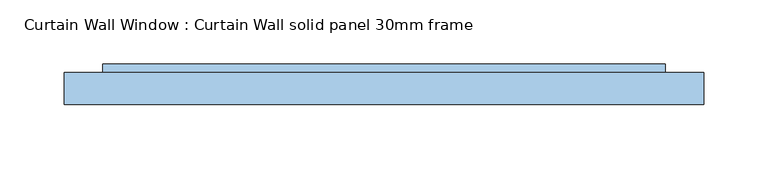
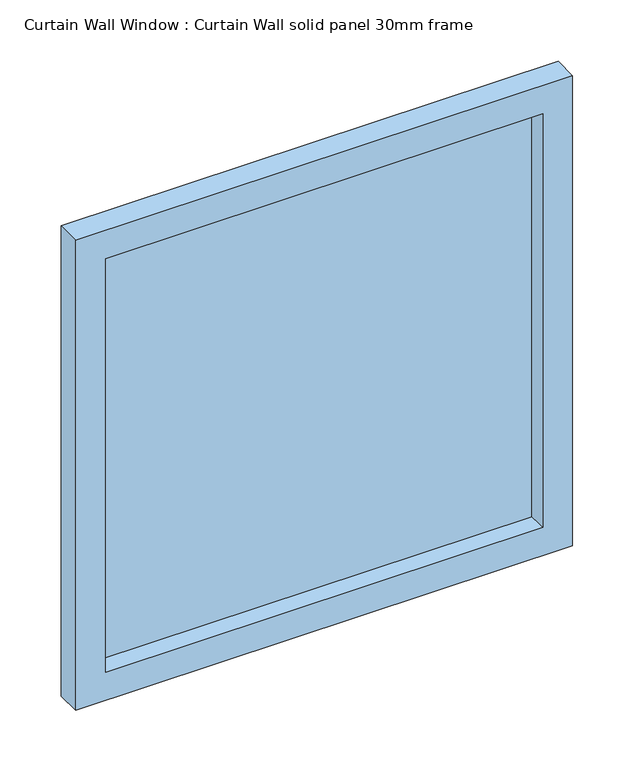
"""IFC4 building model written with IfcOpenShell, lengths in millimetres: window geometry, Curtain Wall Window : Curtain Wall solid panel 30mm frame."""

import ifcopenshell
import ifcopenshell.guid

model = None  # the IFC model being written
_history = None  # IfcOwnerHistory: only IFC2X3 demands one
_inside = {}  # id of a spatial element -> (the spatial element, [elements in it])
_under = {}  # id of a project, library or spatial element -> (it, [spatial elements below it])
_declared = {}  # id of a project -> (the project, [libraries it declares])
_typed = {}  # id of a type object -> (the type object, [elements of that type])
_made_of = {}  # id of a material, layer set ... -> (it, [elements and type objects made of it])


def new_model(schema):
    """Start an empty IFC model of exactly this schema.

    Asked for "IFC4X3", IfcOpenShell would pick the latest addendum, in which some entities
    have other attributes; the version numbers below select the first issue.
    IFC2X3 requires an IfcOwnerHistory on every rooted entity: one is made here for all.
    """
    global model, _history
    if schema == "IFC4X3":
        model = ifcopenshell.file(schema_version=(4, 3, 0, 0))
    else:
        model = ifcopenshell.file(schema=schema)
    _inside.clear()
    _under.clear()
    _declared.clear()
    _typed.clear()
    _made_of.clear()
    _history = None
    if model.schema == "IFC2X3":
        org = make("IfcOrganization", Name="unknown")
        user = make(
            "IfcPersonAndOrganization",
            ThePerson=make("IfcPerson", FamilyName="unknown"),
            TheOrganization=org,
        )
        app = make(
            "IfcApplication",
            ApplicationDeveloper=org,
            Version="unknown",
            ApplicationFullName="unknown",
            ApplicationIdentifier="unknown",
        )
        _history = make(
            "IfcOwnerHistory",
            OwningUser=user,
            OwningApplication=app,
            ChangeAction="ADDED",
            CreationDate=0,
        )
    return model


def make(cls, **values):
    """One entity of the class cls with the attributes given. An attribute that is None is left unset."""
    return model.create_entity(
        cls, **{name: value for name, value in values.items() if value is not None}
    )


def rooted(cls, **values):
    """An entity with a GlobalId (a new one), such as an element, a storey or a relation."""
    return make(cls, GlobalId=ifcopenshell.guid.new(), OwnerHistory=_history, **values)


def si_unit(unit_type, name, prefix=None):
    """IfcSIUnit, for example si_unit("LENGTHUNIT", "METRE", prefix="MILLI")."""
    return make("IfcSIUnit", UnitType=unit_type, Prefix=prefix, Name=name)


def assignment(units):
    """IfcUnitAssignment: the units of a project."""
    return None if units is None else make("IfcUnitAssignment", Units=units)


def point(xyz):
    """IfcCartesianPoint."""
    return None if xyz is None else make("IfcCartesianPoint", Coordinates=xyz)


def direction(xyz):
    """IfcDirection."""
    return None if xyz is None else make("IfcDirection", DirectionRatios=xyz)


def frame(location, z_axis=None, x_axis=None):
    """IfcAxis2Placement3D, a coordinate frame: its origin and axes. An axis left out is left unset."""
    return make(
        "IfcAxis2Placement3D",
        Location=point(location),
        Axis=direction(z_axis),
        RefDirection=direction(x_axis),
    )


def origin():
    """The frame at (0, 0, 0) with its axes left unset."""
    return frame((0.0, 0.0, 0.0))


def place(relative_to, where):
    """IfcLocalPlacement: puts the frame where relative to a parent placement (None: the world)."""
    return make(
        "IfcLocalPlacement", PlacementRelTo=relative_to, RelativePlacement=where
    )


def context(
    kind, dimensions, precision=None, world=None, true_north=None, identifier=None
):
    """IfcGeometricRepresentationContext, for example the 3D "Model" context."""
    return make(
        "IfcGeometricRepresentationContext",
        ContextIdentifier=identifier,
        ContextType=kind,
        CoordinateSpaceDimension=dimensions,
        Precision=precision,
        WorldCoordinateSystem=world,
        TrueNorth=true_north,
    )


def project(units=None, contexts=None):
    """IfcProject with its units and contexts."""
    return rooted(
        "IfcProject",
        Name="project",
        RepresentationContexts=contexts,
        UnitsInContext=assignment(units),
    )


def spatial(cls, under=None, at=None, **own):
    """A site, building, storey or space (cls), placed at a placement, below another one or the project."""
    s = rooted(cls, ObjectPlacement=at, **own)
    if under is not None:
        _under.setdefault(under.id(), (under, []))[1].append(s)
    return s


def polyline(points):
    """IfcPolyline through the points."""
    return make("IfcPolyline", Points=[point(p) for p in points])


def outline(outer, holes=None, kind="AREA"):
    """IfcArbitraryClosedProfileDef: a profile drawn as a closed curve; with holes, ...WithVoids."""
    if holes is None:
        return make("IfcArbitraryClosedProfileDef", ProfileType=kind, OuterCurve=outer)
    return make(
        "IfcArbitraryProfileDefWithVoids",
        ProfileType=kind,
        OuterCurve=outer,
        InnerCurves=holes,
    )


def extrude(swept, where, along, depth):
    """IfcExtrudedAreaSolid: the profile swept, set in the frame where, extruded along a direction by depth."""
    return make(
        "IfcExtrudedAreaSolid",
        SweptArea=swept,
        Position=where,
        ExtrudedDirection=direction(along),
        Depth=depth,
    )


def shape(context_of_items, identifier, shape_type, items):
    """IfcShapeRepresentation: the items that make up one representation, for example the "Body"."""
    return make(
        "IfcShapeRepresentation",
        ContextOfItems=context_of_items,
        RepresentationIdentifier=identifier,
        RepresentationType=shape_type,
        Items=items,
    )


def source(mapping_origin, context_of_items, identifier, shape_type, items):
    """IfcRepresentationMap: a shape defined once, which mapped items show again and again."""
    return make(
        "IfcRepresentationMap",
        MappingOrigin=mapping_origin,
        MappedRepresentation=shape(context_of_items, identifier, shape_type, items),
    )


def transform(
    local_origin,
    x_axis=None,
    y_axis=None,
    z_axis=None,
    scale=None,
    scale2=None,
    scale3=None,
    uniform=True,
):
    """IfcCartesianTransformationOperator3D, or its non-uniform kind. x_axis, y_axis, z_axis: its Axis1, 2, 3."""
    if uniform:
        return make(
            "IfcCartesianTransformationOperator3D",
            Axis1=direction(x_axis),
            Axis2=direction(y_axis),
            LocalOrigin=point(local_origin),
            Scale=scale,
            Axis3=direction(z_axis),
        )
    return make(
        "IfcCartesianTransformationOperator3DnonUniform",
        Axis1=direction(x_axis),
        Axis2=direction(y_axis),
        LocalOrigin=point(local_origin),
        Scale=scale,
        Axis3=direction(z_axis),
        Scale2=scale2,
        Scale3=scale3,
    )


def mapped(mapping_source, mapping_target):
    """IfcMappedItem: shows the shape of a source again, moved by a transform."""
    return make(
        "IfcMappedItem", MappingSource=mapping_source, MappingTarget=mapping_target
    )


def made_of(thing, what):
    """Note that an element or type object is made of a material, layer set ...; save() writes the relation."""
    if what is not None:
        _made_of.setdefault(what.id(), (what, []))[1].append(thing)
    return thing


def element(
    cls,
    number,
    at=None,
    inside=None,
    cuts=None,
    type_object=None,
    material=None,
    context=None,
    identifier="Body",
    shape_type=None,
    held_by="IfcProductDefinitionShape",
    body=None,
    shapes=None,
    **own,
):
    """One element of the class cls, such as IfcWall. Its Tag is "e" and its number.

    at: its placement. inside: the storey or other place that contains it. cuts: it is an
    opening in that element (IfcRelVoidsElement). A single representation is given by context,
    identifier, shape_type and body (its items); several are given by shapes. held_by: the class
    of the entity that holds the representations. save() writes the other relations.
    """
    e = rooted(cls, Tag="e%d" % number, ObjectPlacement=at, **own)
    if body is not None:
        shapes = [shape(context, identifier, shape_type, body)]
    if shapes is not None:
        e.Representation = make(held_by, Representations=shapes)
    if inside is not None:
        _inside.setdefault(inside.id(), (inside, []))[1].append(e)
    if cuts is not None:
        rooted(
            "IfcRelVoidsElement", RelatingBuildingElement=cuts, RelatedOpeningElement=e
        )
    if type_object is not None:
        _typed.setdefault(type_object.id(), (type_object, []))[1].append(e)
    return made_of(e, material)


def aggregate(whole, parts):
    """IfcRelAggregates: a whole, such as a stair, and the parts it consists of."""
    return rooted("IfcRelAggregates", RelatingObject=whole, RelatedObjects=parts)


def save(model, path):
    """Write the relations noted so far, then the file.

    IfcRelAggregates (storeys below a building ...), IfcRelContainedInSpatialStructure (elements
    in a storey), IfcRelDefinesByType, IfcRelAssociatesMaterial and IfcRelDeclares: one each for
    every whole, place, type object, material and project.
    """
    for whole, parts in _under.values():
        aggregate(whole, parts)
    for where, things in _inside.values():
        rooted(
            "IfcRelContainedInSpatialStructure",
            RelatedElements=things,
            RelatingStructure=where,
        )
    for kind, things in _typed.values():
        rooted("IfcRelDefinesByType", RelatedObjects=things, RelatingType=kind)
    for what, things in _made_of.values():
        rooted("IfcRelAssociatesMaterial", RelatedObjects=things, RelatingMaterial=what)
    for by, libraries in _declared.values():
        rooted("IfcRelDeclares", RelatingContext=by, RelatedDefinitions=libraries)
    model.write(path)


def curtain_wall_window_curtain_wall_solid_panel_30mm_frame_f47ba211(model_context):
    return source(origin(), model_context, "Body", "SweptSolid", [
        extrude(outline(polyline([(219.4999836, 19.05), (-219.4999836, 19.05), (-219.4999836, 31.75), (219.4999836, 31.75), (219.4999836, 19.05)])), frame((0.0, 0.0, 30.0), z_axis=(0.0, 0.0, 1.0), x_axis=(1.0, 0.0, 0.0)), (0.0, 0.0, 1.0), 438.9997052),
        extrude(outline(polyline([(498.9997052, -249.4999836), (0.0, -249.4999836), (0.0, 249.4999836), (498.9997052, 249.4999836), (498.9997052, -249.4999836)]), holes=[polyline([(468.9997052, -219.4999836), (468.9997052, 219.4999836), (30.0, 219.4999836), (30.0, -219.4999836), (468.9997052, -219.4999836)])]), frame((0.0, 0.0, 0.0), z_axis=(0.0, 1.0, 0.0), x_axis=(0.0, 0.0, 1.0)), (0.0, 0.0, 1.0), 25.0),
    ])


if __name__ == "__main__":
    model = new_model("IFC4")
    model_context = context("Model", 3, world=origin())
    ifc_project = project(units=[si_unit("LENGTHUNIT", "METRE", prefix="MILLI")], contexts=[model_context])
    site = spatial("IfcSite", under=ifc_project)
    building = spatial("IfcBuilding", under=site)
    placement = place(None, origin())
    curtain_wall_window_curtain_wall_solid_panel_30mm_frame_shape = curtain_wall_window_curtain_wall_solid_panel_30mm_frame_f47ba211(model_context)
    element("IfcWindow", 1, ObjectType="Curtain Wall Window : Curtain Wall solid panel 30mm frame", at=placement, inside=building, context=model_context, shape_type="MappedRepresentation", body=[
        mapped(curtain_wall_window_curtain_wall_solid_panel_30mm_frame_shape, transform((0.0, 0.0, 0.0), x_axis=(1.0, 0.0, 0.0), y_axis=(0.0, 1.0, 0.0), z_axis=(0.0, 0.0, 1.0))),
    ])
    save(model, "model.ifc")
